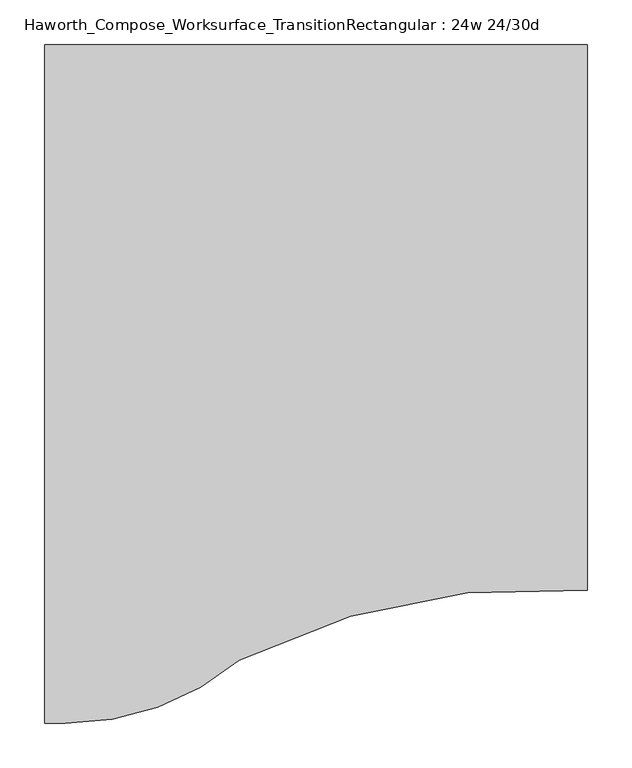
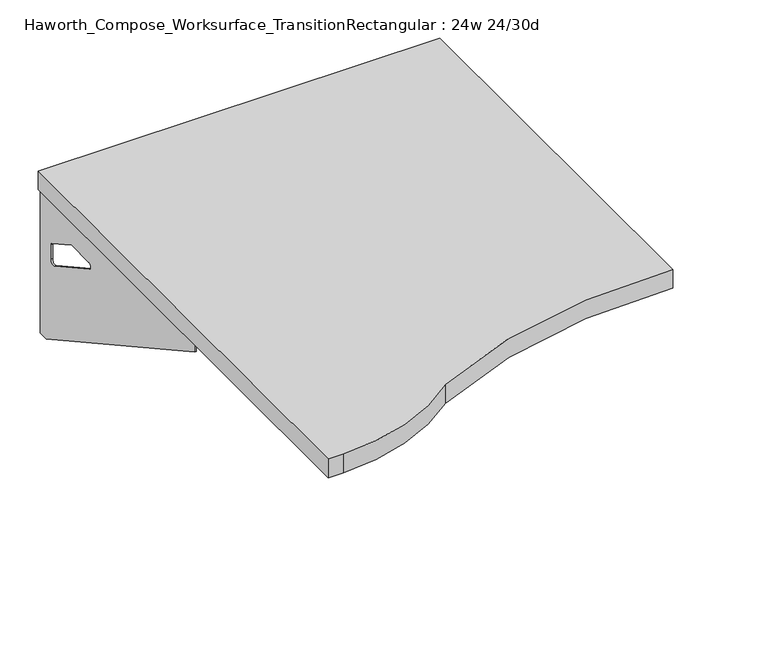
"""IFC4 building model written with IfcOpenShell, lengths in millimetres: furniture geometry, Haworth_Compose_Worksurface_TransitionRectangular : 24w 24/30d."""

from ifc_helpers import new_model, si_unit, point, frame, frame_2d, origin, place, context, project, spatial, polyline, circle_curve, trimmed, segment, composite_curve, outline, extrude, source, transform, mapped, element, save
from ifc_brep_helpers import plane_surface, revolved_surface, advanced_brep


def haworth_compose_worksurface_transitionrectangular_24w_24_30d_4c81efe3(model_context):
    return source(origin(), model_context, "Body", "SolidModel", [
        advanced_brep(
        [(280.19375, 228.6, 475.45625), (280.19375, 212.725, 475.45625), (280.19375, -177.8, 691.7192568), (280.19375, -177.8, 704.05625), (280.19375, 212.725, 704.05625), (280.19375, 228.6, 704.05625), (280.19375, 145.290072, 665.95625), (280.19375, 101.6355284, 665.95625), (280.19375, 98.9564235, 656.3705539), (280.19375, 190.6776173, 605.5776439), (280.19375, 200.025, 611.1756969), (280.19375, 200.025, 634.6860246), (280.19375, 198.2730055, 637.5242776), (280.19375, 148.3663437, 665.1613425), (282.575, 228.6, 475.45625), (282.575, 228.6, 704.05625), (282.575, 212.725, 704.05625), (282.575, 212.725, 706.4375), (282.575, -177.8, 706.4375), (282.575, -177.8, 691.7192568), (282.575, 212.725, 475.45625), (282.575, 145.290072, 665.95625), (282.575, 148.3663437, 665.1613425), (282.575, 198.2730055, 637.5242776), (282.575, 200.025, 634.6860246), (282.575, 200.025, 611.1756969), (282.575, 190.6776173, 605.5776439), (282.575, 98.9564235, 656.3705539), (282.575, 101.6355284, 665.95625), (241.3, -177.8, 706.4375), (241.3, -177.8, 704.05625), (241.3, 212.725, 704.05625), (241.3, 212.725, 706.4375)],
        [
            (0, 1),
            (1, 2),
            (2, 3),
            (3, 4),
            (4, 5),
            (5, 0),
            (6, 7),
            (7, 8, circle_curve(frame((280.19375, 101.6355284, 660.7890106), z_axis=(1.0, 0.0, 0.0), x_axis=(0.0, -1.0, 0.0)), 5.1672394)),
            (8, 9),
            (9, 10, circle_curve(frame((280.19375, 193.675, 611.1756969), z_axis=(1.0, 0.0, 0.0), x_axis=(0.0, -1.0, 0.0)), 6.35)),
            (10, 11),
            (11, 12, circle_curve(frame((280.19375, 196.85, 634.6860246), z_axis=(1.0, 0.0, 0.0), x_axis=(0.0, -1.0, 0.0)), 3.175)),
            (12, 13),
            (13, 6, circle_curve(frame((280.19375, 145.290072, 659.60625), z_axis=(1.0, 0.0, 0.0), x_axis=(0.0, -1.0, 0.0)), 6.35)),
            (14, 15),
            (15, 16),
            (16, 17),
            (17, 18),
            (18, 19),
            (19, 20),
            (20, 14),
            (21, 22, circle_curve(frame((282.575, 145.290072, 659.60625), z_axis=(-1.0, 0.0, 0.0), x_axis=(0.0, -1.0, 0.0)), 6.35)),
            (22, 23),
            (23, 24, circle_curve(frame((282.575, 196.85, 634.6860246), z_axis=(-1.0, 0.0, 0.0), x_axis=(0.0, -1.0, 0.0)), 3.175)),
            (24, 25),
            (25, 26, circle_curve(frame((282.575, 193.675, 611.1756969), z_axis=(-1.0, 0.0, 0.0), x_axis=(0.0, -1.0, 0.0)), 6.35)),
            (26, 27),
            (27, 28, circle_curve(frame((282.575, 101.6355284, 660.7890106), z_axis=(-1.0, 0.0, 0.0), x_axis=(0.0, -1.0, 0.0)), 5.1672394)),
            (28, 21),
            (4, 16),
            (15, 5),
            (14, 0),
            (20, 1),
            (19, 2),
            (18, 29),
            (29, 30),
            (30, 3),
            (6, 21),
            (28, 7),
            (9, 26),
            (25, 10),
            (24, 11),
            (23, 12),
            (27, 8),
            (31, 4),
            (30, 31),
            (32, 29),
            (17, 32),
            (31, 32),
            (22, 13),
        ],
        [
            plane_surface(frame((280.19375, 228.6, 475.45625), z_axis=(-1.0, 0.0, 0.0), x_axis=(0.0, 1.0, 0.0))),
            plane_surface(frame((282.575, 228.6, 475.45625), z_axis=(1.0, 0.0, 0.0), x_axis=(0.0, -1.0, 0.0))),
            plane_surface(frame((282.575, -177.8, 704.05625), z_axis=(0.0, 0.0, 1.0), x_axis=(-1.0, 0.0, 0.0))),
            plane_surface(frame((282.575, 228.6, 704.05625), z_axis=(0.0, 1.0, 0.0), x_axis=(-1.0, 0.0, 0.0))),
            plane_surface(frame((282.575, 228.6, 475.45625), z_axis=(0.0, 0.0, -1.0), x_axis=(-1.0, 0.0, 0.0))),
            plane_surface(frame((282.575, 212.725, 475.45625), z_axis=(0.0, -0.48445223513455843, -0.8748177135112952), x_axis=(-1.0, 0.0, 0.0))),
            plane_surface(frame((282.575, -177.8, 691.7192568), z_axis=(0.0, -1.0, 0.0), x_axis=(-1.0, 0.0, 0.0))),
            plane_surface(frame((282.575, 145.290072, 665.95625), z_axis=(0.0, 0.0, -1.0), x_axis=(-1.0, 0.0, 0.0))),
            revolved_surface(polyline([(280.19375, 187.32500000000002, 611.1756969), (282.575, 187.32500000000002, 611.1756969)]), (282.575, 193.675, 611.1756969), (-1.0, 0.0, 0.0)),
            plane_surface(frame((282.575, 200.025, 611.1756969), z_axis=(0.0, -1.0, 0.0), x_axis=(-1.0, 0.0, 0.0))),
            revolved_surface(polyline([(280.19375, 193.67499999999998, 634.6860246), (282.575, 193.67499999999998, 634.6860246)]), (282.575, 196.85, 634.6860246), (-1.0, 0.0, 0.0)),
            revolved_surface(polyline([(280.19375, 96.468289, 660.7890106), (282.575, 96.468289, 660.7890106)]), (282.575, 101.6355284, 660.7890106), (-1.0, 0.0, 0.0)),
            plane_surface(frame((282.575, 212.725, 704.05625), z_axis=(0.0, 0.0, -1.0), x_axis=(-1.0, 0.0, 0.0))),
            plane_surface(frame((282.575, 212.725, 706.4375), z_axis=(0.0, 0.0, 1.0), x_axis=(1.0, 0.0, 0.0))),
            plane_surface(frame((241.3, 212.725, 706.4375), z_axis=(0.0, 1.0, 0.0), x_axis=(0.0, 0.0, -1.0))),
            plane_surface(frame((241.3, -177.8, 706.4375), z_axis=(-1.0, 0.0, 0.0), x_axis=(0.0, 0.0, -1.0))),
            plane_surface(frame((282.575, 98.9564235, 656.3705539), z_axis=(0.0, 0.4844522351345583, 0.8748177135112953), x_axis=(-1.0, 0.0, 0.0))),
            plane_surface(frame((282.575, 198.2730055, 637.5242776), z_axis=(0.0, -0.4844522351345582, -0.8748177135112953), x_axis=(-1.0, 0.0, 0.0))),
            revolved_surface(polyline([(280.19375, 138.94007200000001, 659.60625), (282.575, 138.94007200000001, 659.60625)]), (282.575, 145.290072, 659.60625), (-1.0, 0.0, 0.0)),
        ],
        [
            (0, [[1, 2, 3, 4, 5, 6], [7, 8, 9, 10, 11, 12, 13, 14]]),
            (1, [[15, 16, 17, 18, 19, 20, 21], [22, 23, 24, 25, 26, 27, 28, 29]]),
            (2, [[-5, 30, -16, 31]]),
            (3, [[-31, -15, 32, -6]]),
            (4, [[-32, -21, 33, -1]]),
            (5, [[-33, -20, 34, -2]]),
            (6, [[-34, -19, 35, 36, 37, -3]]),
            (7, [[38, -29, 39, -7]]),
            (8, [[40, -26, 41, -10]]),
            (9, [[-41, -25, 42, -11]]),
            (10, [[-42, -24, 43, -12]]),
            (11, [[-39, -28, 44, -8]]),
            (12, [[45, -4, -37, 46]]),
            (13, [[47, -35, -18, 48]]),
            (14, [[-17, -30, -45, 49, -48]]),
            (15, [[-36, -47, -49, -46]]),
            (16, [[-44, -27, -40, -9]]),
            (17, [[-43, -23, 50, -13]]),
            (18, [[-50, -22, -38, -14]]),
        ],
    ),
        advanced_brep(
        [(-318.29375, 228.6, 475.45625), (-318.29375, 228.6, 704.05625), (-318.29375, 212.725, 704.05625), (-318.29375, -177.8, 704.05625), (-318.29375, -177.8, 691.7192568), (-318.29375, 212.725, 475.45625), (-318.29375, 145.290072, 665.95625), (-318.29375, 148.3663437, 665.1613425), (-318.29375, 198.2730055, 637.5242776), (-318.29375, 200.025, 634.6860246), (-318.29375, 200.025, 611.1756969), (-318.29375, 190.6776173, 605.5776439), (-318.29375, 98.9564235, 656.3705539), (-318.29375, 101.6355284, 665.95625), (-320.675, 228.6, 475.45625), (-320.675, 212.725, 475.45625), (-320.675, -177.8, 691.7192568), (-320.675, -177.8, 706.4375), (-320.675, 212.725, 706.4375), (-320.675, 212.725, 704.05625), (-320.675, 228.6, 704.05625), (-320.675, 145.290072, 665.95625), (-320.675, 101.6355284, 665.95625), (-320.675, 98.9564235, 656.3705539), (-320.675, 190.6776173, 605.5776439), (-320.675, 200.025, 611.1756969), (-320.675, 200.025, 634.6860246), (-320.675, 198.2730055, 637.5242776), (-320.675, 148.3663437, 665.1613425), (-279.4, -177.8, 704.05625), (-279.4, -177.8, 706.4375), (-279.4, 212.725, 704.05625), (-279.4, 212.725, 706.4375)],
        [
            (0, 1),
            (1, 2),
            (2, 3),
            (3, 4),
            (4, 5),
            (5, 0),
            (6, 7, circle_curve(frame((-318.29375, 145.290072, 659.60625), z_axis=(-1.0, 0.0, 0.0), x_axis=(0.0, -1.0, 0.0)), 6.35)),
            (7, 8),
            (8, 9, circle_curve(frame((-318.29375, 196.85, 634.6860246), z_axis=(-1.0, 0.0, 0.0), x_axis=(0.0, -1.0, 0.0)), 3.175)),
            (9, 10),
            (10, 11, circle_curve(frame((-318.29375, 193.675, 611.1756969), z_axis=(-1.0, 0.0, 0.0), x_axis=(0.0, -1.0, 0.0)), 6.35)),
            (11, 12),
            (12, 13, circle_curve(frame((-318.29375, 101.6355284, 660.7890106), z_axis=(-1.0, 0.0, 0.0), x_axis=(0.0, -1.0, 0.0)), 5.1672394)),
            (13, 6),
            (14, 15),
            (15, 16),
            (16, 17),
            (17, 18),
            (18, 19),
            (19, 20),
            (20, 14),
            (21, 22),
            (22, 23, circle_curve(frame((-320.675, 101.6355284, 660.7890106), z_axis=(1.0, 0.0, 0.0), x_axis=(0.0, -1.0, 0.0)), 5.1672394)),
            (23, 24),
            (24, 25, circle_curve(frame((-320.675, 193.675, 611.1756969), z_axis=(1.0, 0.0, 0.0), x_axis=(0.0, -1.0, 0.0)), 6.35)),
            (25, 26),
            (26, 27, circle_curve(frame((-320.675, 196.85, 634.6860246), z_axis=(1.0, 0.0, 0.0), x_axis=(0.0, -1.0, 0.0)), 3.175)),
            (27, 28),
            (28, 21, circle_curve(frame((-320.675, 145.290072, 659.60625), z_axis=(1.0, 0.0, 0.0), x_axis=(0.0, -1.0, 0.0)), 6.35)),
            (1, 20),
            (19, 2),
            (0, 14),
            (5, 15),
            (4, 16),
            (3, 29),
            (29, 30),
            (30, 17),
            (13, 22),
            (21, 6),
            (10, 25),
            (24, 11),
            (9, 26),
            (8, 27),
            (12, 23),
            (31, 29),
            (2, 31),
            (32, 18),
            (30, 32),
            (32, 31),
            (7, 28),
        ],
        [
            plane_surface(frame((-318.29375, 228.6, 475.45625), z_axis=(1.0, 0.0, 0.0), x_axis=(0.0, 1.0, 0.0))),
            plane_surface(frame((-320.675, 228.6, 475.45625), z_axis=(-1.0, 0.0, 0.0), x_axis=(0.0, -1.0, 0.0))),
            plane_surface(frame((-320.675, -177.8, 704.05625), z_axis=(0.0, 0.0, 1.0), x_axis=(1.0, 0.0, 0.0))),
            plane_surface(frame((-320.675, 228.6, 704.05625), z_axis=(0.0, 1.0, 0.0), x_axis=(1.0, 0.0, 0.0))),
            plane_surface(frame((-320.675, 228.6, 475.45625), z_axis=(0.0, 0.0, -1.0), x_axis=(1.0, 0.0, 0.0))),
            plane_surface(frame((-320.675, 212.725, 475.45625), z_axis=(0.0, -0.48445223513455843, -0.8748177135112952), x_axis=(1.0, 0.0, 0.0))),
            plane_surface(frame((-320.675, -177.8, 691.7192568), z_axis=(0.0, -1.0, 0.0), x_axis=(1.0, 0.0, 0.0))),
            plane_surface(frame((-320.675, 145.290072, 665.95625), z_axis=(0.0, 0.0, -1.0), x_axis=(1.0, 0.0, 0.0))),
            revolved_surface(polyline([(-318.29375, 187.32500000000002, 611.1756969), (-320.675, 187.32500000000002, 611.1756969)]), (-320.675, 193.675, 611.1756969), (1.0, 0.0, 0.0)),
            plane_surface(frame((-320.675, 200.025, 611.1756969), z_axis=(0.0, -1.0, 0.0), x_axis=(1.0, 0.0, 0.0))),
            revolved_surface(polyline([(-318.29375, 193.67499999999998, 634.6860246), (-320.675, 193.67499999999998, 634.6860246)]), (-320.675, 196.85, 634.6860246), (1.0, 0.0, 0.0)),
            revolved_surface(polyline([(-318.29375, 96.468289, 660.7890106), (-320.675, 96.468289, 660.7890106)]), (-320.675, 101.6355284, 660.7890106), (1.0, 0.0, 0.0)),
            plane_surface(frame((-320.675, 212.725, 704.05625), z_axis=(0.0, 0.0, -1.0), x_axis=(1.0, 0.0, 0.0))),
            plane_surface(frame((-320.675, 212.725, 706.4375), z_axis=(0.0, 0.0, 1.0), x_axis=(-1.0, 0.0, 0.0))),
            plane_surface(frame((-279.4, 212.725, 706.4375), z_axis=(0.0, 1.0, 0.0), x_axis=(0.0, 0.0, -1.0))),
            plane_surface(frame((-279.4, -177.8, 706.4375), z_axis=(1.0, 0.0, 0.0), x_axis=(0.0, 0.0, -1.0))),
            plane_surface(frame((-320.675, 98.9564235, 656.3705539), z_axis=(0.0, 0.4844522351345583, 0.8748177135112953), x_axis=(1.0, 0.0, 0.0))),
            plane_surface(frame((-320.675, 198.2730055, 637.5242776), z_axis=(0.0, -0.4844522351345582, -0.8748177135112953), x_axis=(1.0, 0.0, 0.0))),
            revolved_surface(polyline([(-318.29375, 138.94007200000001, 659.60625), (-320.675, 138.94007200000001, 659.60625)]), (-320.675, 145.290072, 659.60625), (1.0, 0.0, 0.0)),
        ],
        [
            (0, [[1, 2, 3, 4, 5, 6], [7, 8, 9, 10, 11, 12, 13, 14]]),
            (1, [[15, 16, 17, 18, 19, 20, 21], [22, 23, 24, 25, 26, 27, 28, 29]]),
            (2, [[30, -20, 31, -2]]),
            (3, [[-1, 32, -21, -30]]),
            (4, [[-6, 33, -15, -32]]),
            (5, [[-5, 34, -16, -33]]),
            (6, [[-4, 35, 36, 37, -17, -34]]),
            (7, [[-14, 38, -22, 39]]),
            (8, [[-11, 40, -25, 41]]),
            (9, [[-10, 42, -26, -40]]),
            (10, [[-9, 43, -27, -42]]),
            (11, [[-13, 44, -23, -38]]),
            (12, [[45, -35, -3, 46]]),
            (13, [[47, -18, -37, 48]]),
            (14, [[-47, 49, -46, -31, -19]]),
            (15, [[-45, -49, -48, -36]]),
            (16, [[-12, -41, -24, -44]]),
            (17, [[-8, 50, -28, -43]]),
            (18, [[-7, -39, -29, -50]]),
        ],
    ),
        extrude(outline(composite_curve([segment(trimmed(circle_curve(frame_2d((235.5964534, -1144.0111083)), 762.0), [point((285.75, -383.6634103))], [point((-105.2473583, -462.4911188))], True, "CARTESIAN"), True, "CONTINUOUS"), segment(trimmed(circle_curve(frame_2d((-300.6904051, -228.6)), 304.8), [point((-105.2473583, -462.4911188))], [point((-300.6904051, -533.4))], False, "CARTESIAN"), True, "CONTINUOUS"), segment(polyline([(-300.6904051, -533.4), (-323.85, -533.4), (-323.85, 228.6), (285.75, 228.6), (285.75, -383.6634103)]), True, "CONTINUOUS")], self_intersect=False)), frame((0.0, 0.0, 706.4375), z_axis=(0.0, 0.0, 1.0), x_axis=(1.0, 0.0, 0.0)), (0.0, 0.0, 1.0), 30.1625),
    ])


if __name__ == "__main__":
    model = new_model("IFC4")
    model_context = context("Model", 3, world=origin())
    ifc_project = project(units=[si_unit("LENGTHUNIT", "METRE", prefix="MILLI")], contexts=[model_context])
    site = spatial("IfcSite", under=ifc_project)
    building = spatial("IfcBuilding", under=site)
    placement = place(None, origin())
    haworth_compose_worksurface_transitionrectangular_24w_24_30d_shape = haworth_compose_worksurface_transitionrectangular_24w_24_30d_4c81efe3(model_context)
    element("IfcFurniture", 1, ObjectType="Haworth_Compose_Worksurface_TransitionRectangular : 24w 24/30d", at=placement, inside=building, context=model_context, shape_type="MappedRepresentation", body=[
        mapped(haworth_compose_worksurface_transitionrectangular_24w_24_30d_shape, transform((0.0, 0.0, 0.0), x_axis=(1.0, 0.0, 0.0), y_axis=(0.0, 1.0, 0.0), z_axis=(0.0, 0.0, 1.0))),
    ])
    save(model, "model.ifc")
